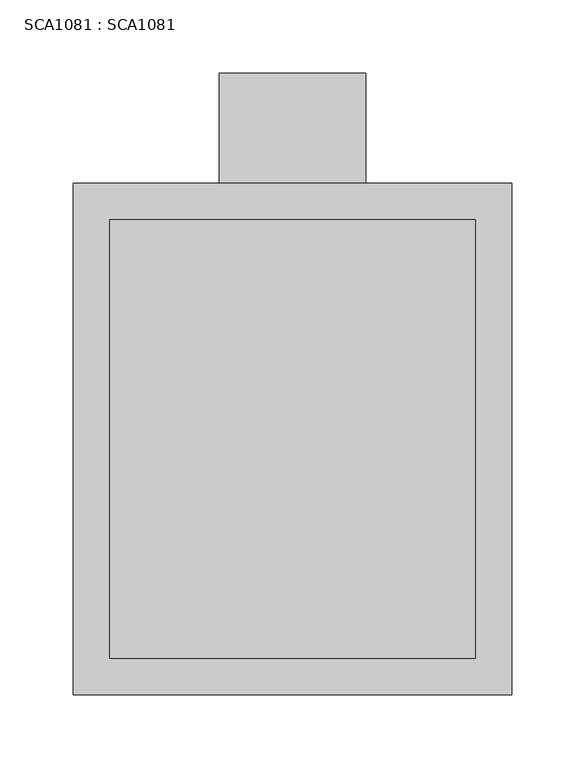
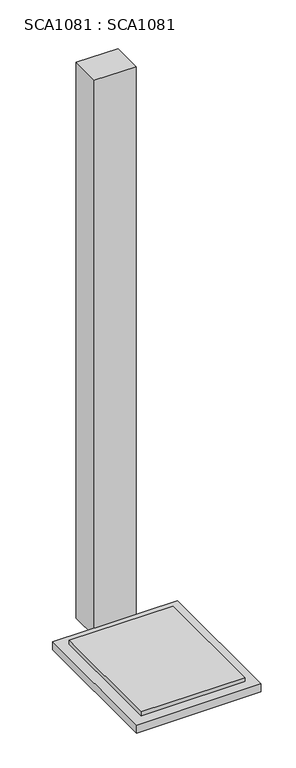
"""IFC4 building model written with IfcOpenShell, lengths in millimetres: proxy geometry, SCA1081 : SCA1081."""

from ifc_helpers import new_model, si_unit, origin, origin_with_axes, place, context, project, spatial, polyline, outline, extrude, source, transform, mapped, element, save


def sca1081_sca1081_4f843480(model_context):
    return source(origin(), model_context, "Body", "SweptSolid", [
        extrude(outline(polyline([(200.1081328, 75.0), (200.1081328, 0.0), (100.0, 0.0), (100.0, 75.0), (200.1081328, 75.0)])), origin_with_axes(), (0.0, 0.0, 1.0), 1413.9543981),
        extrude(outline(polyline([(275.0, -25.0), (275.0, -325.0), (25.0, -325.0), (25.0, -25.0), (275.0, -25.0)])), origin_with_axes(), (0.0, 0.0, 1.0), 30.0),
        extrude(outline(polyline([(300.0, 0.0), (300.0, -350.0), (0.0, -350.0), (0.0, 0.0), (300.0, 0.0)])), origin_with_axes(), (0.0, 0.0, 1.0), 20.0),
    ])


if __name__ == "__main__":
    model = new_model("IFC4")
    model_context = context("Model", 3, world=origin())
    ifc_project = project(units=[si_unit("LENGTHUNIT", "METRE", prefix="MILLI")], contexts=[model_context])
    site = spatial("IfcSite", under=ifc_project)
    building = spatial("IfcBuilding", under=site)
    placement = place(None, origin())
    sca1081_sca1081_shape = sca1081_sca1081_4f843480(model_context)
    element("IfcBuildingElementProxy", 1, Name="SCA1081 : SCA1081", ObjectType="SCA1081 : SCA1081", at=placement, inside=building, context=model_context, shape_type="MappedRepresentation", body=[
        mapped(sca1081_sca1081_shape, transform((0.0, 0.0, 0.0), x_axis=(1.0, 0.0, 0.0), y_axis=(0.0, 1.0, 0.0), z_axis=(0.0, 0.0, 1.0))),
    ])
    save(model, "model.ifc")
